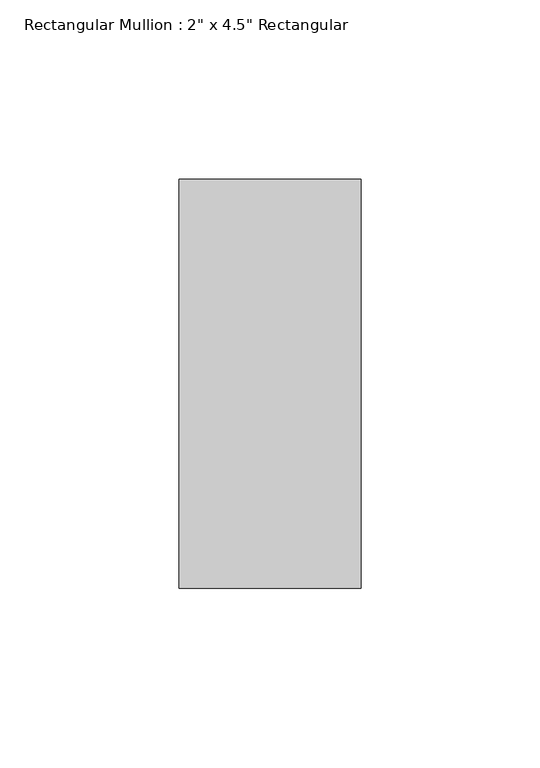
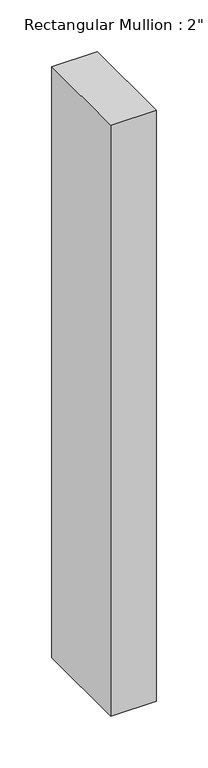
"""IFC4 building model written with IfcOpenShell, lengths in millimetres: member geometry."""

from ifc_helpers import new_model, si_unit, frame, origin, place, context, project, spatial, polyline, outline, extrude, source, transform, mapped, element, save


def member_08cd3b47(model_context):
    return source(origin(), model_context, "Body", "SweptSolid", [
        extrude(outline(polyline([(0.0, 57.15), (0.0, -57.15), (-50.8, -57.15), (-50.8, 57.15), (0.0, 57.15)])), frame((0.0, 0.0, -698.5), z_axis=(0.0, 0.0, 1.0), x_axis=(1.0, 0.0, 0.0)), (0.0, 0.0, 1.0), 698.5),
    ])


if __name__ == "__main__":
    model = new_model("IFC4")
    model_context = context("Model", 3, world=origin())
    ifc_project = project(units=[si_unit("LENGTHUNIT", "METRE", prefix="MILLI")], contexts=[model_context])
    site = spatial("IfcSite", under=ifc_project)
    building = spatial("IfcBuilding", under=site)
    placement = place(None, origin())
    member_shape = member_08cd3b47(model_context)
    element("IfcMember", 1, ObjectType="Rectangular Mullion : 2\" x 4.5\" Rectangular", at=placement, inside=building, context=model_context, shape_type="MappedRepresentation", body=[
        mapped(member_shape, transform((0.0, 0.0, 0.0), x_axis=(1.0, 0.0, 0.0), y_axis=(0.0, 1.0, 0.0), z_axis=(0.0, 0.0, 1.0))),
    ])
    save(model, "model.ifc")
